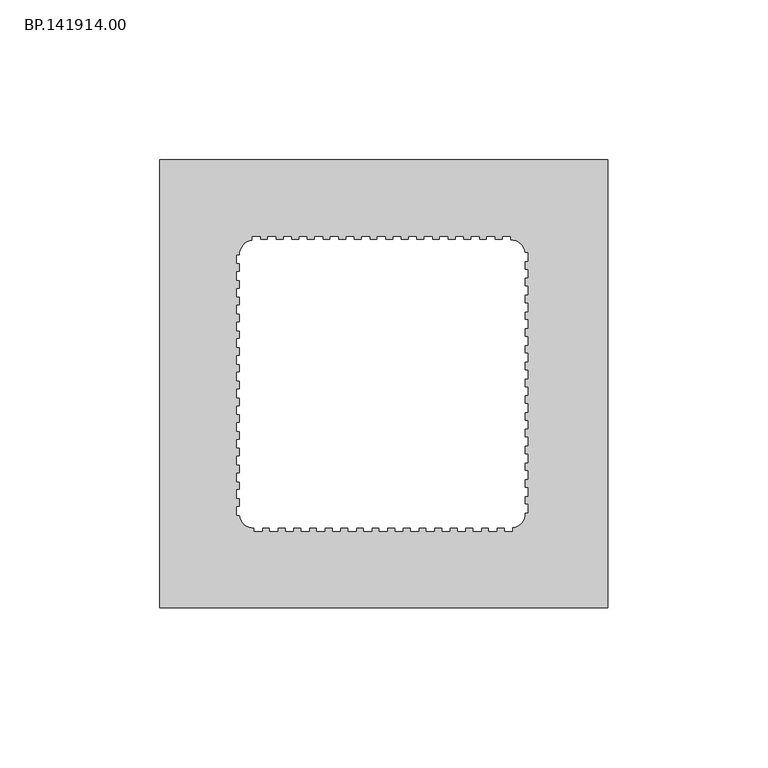
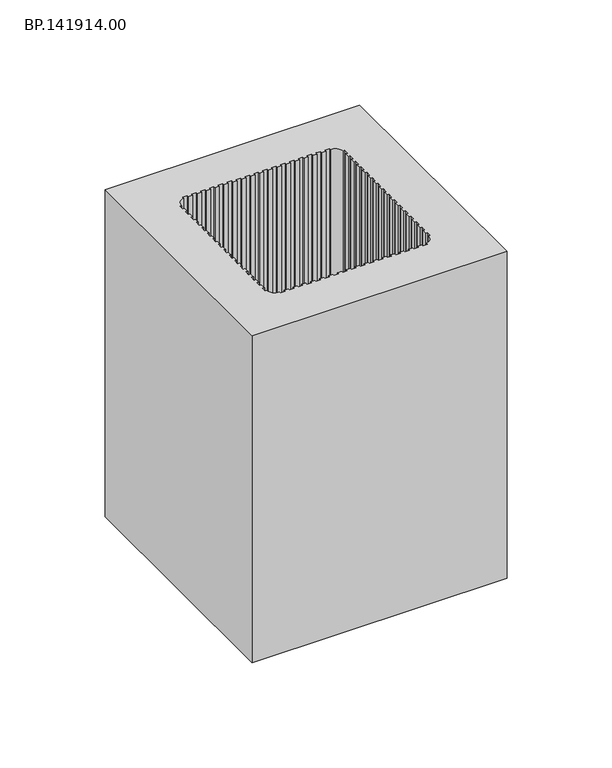
"""IFC4 building model written with IfcOpenShell, lengths in millimetres: proxy geometry, BP.141914.00."""

from ifc_helpers import new_model, si_unit, point, frame_2d, origin, origin_with_axes, place, context, project, spatial, polyline, circle_curve, trimmed, segment, composite_curve, outline, extrude, source, transform, mapped, element, save


def bp_141914_00_0298b1d2(model_context):
    return source(origin(), model_context, "Body", "SweptSolid", [
        extrude(outline(polyline([(145.0, 70.0050293), (145.0, -70.0050293), (5.0, -70.0050293), (5.0, 70.0050293), (145.0, 70.0050293)]), holes=[composite_curve([segment(polyline([(30.0, 41.0), (30.0, 40.1817359), (29.0, 40.1817359), (29.0, 37.6763775), (30.0, 37.6763775), (30.0, 35.0538315), (29.0, 35.0538315), (29.0, 32.4312856), (30.0, 32.4312856), (30.0, 29.8087397), (29.0, 29.8087397), (29.0, 27.1861938), (30.0, 27.1861938), (30.0, 24.5636479), (29.0, 24.5636479), (29.0, 21.941102), (30.0, 21.941102), (30.0, 19.318556), (29.0, 19.318556), (29.0, 16.6960101), (30.0, 16.6960101), (30.0, 14.0734642), (29.0, 14.0734642), (29.0, 11.4509183), (30.0, 11.4509183), (30.0, 8.8283724), (29.0, 8.8283724), (29.0, 6.2058265), (30.0, 6.2058265), (30.0, 3.5832806), (29.0, 3.5832806), (29.0, 0.9607346), (30.0, 0.9607346), (30.0, -1.6618113), (29.0, -1.6618113), (29.0, -4.2843572), (30.0, -4.2843572), (30.0, -6.9069031), (29.0, -6.9069031), (29.0, -9.529449), (30.0, -9.529449), (30.0, -12.1519949), (29.0, -12.1519949), (29.0, -14.7745408), (30.0, -14.7745408), (30.0, -17.3970868), (29.0, -17.3970868), (29.0, -20.0196327), (30.0, -20.0196327), (30.0, -22.6421786), (29.0, -22.6421786), (29.0, -25.2647245), (30.0, -25.2647245), (30.0, -27.8872704), (29.0, -27.8872704), (29.0, -30.5098163), (30.0, -30.5098163), (30.0, -33.1323623), (29.0, -33.1323623), (29.0, -35.7549082), (30.0, -35.7549082), (30.0, -38.3774541), (29.0, -38.3774541), (29.0, -41.0), (30.0, -41.0)]), True, "CONTINUOUS"), segment(trimmed(circle_curve(frame_2d((34.1452584, -40.8672965)), 4.147382), [point((30.0, -41.0))], [point((34.493883, -45.0))], True, "CARTESIAN"), True, "CONTINUOUS"), segment(polyline([(34.493883, -45.0), (34.493883, -46.0), (36.9382979, -46.0), (36.9382979, -45.0), (39.3827128, -45.0), (39.3827128, -46.0), (41.8271277, -46.0), (41.8271277, -45.0), (44.2715426, -45.0), (44.2715426, -46.0), (46.7159574, -46.0), (46.7159574, -45.0), (49.1603723, -45.0), (49.1603723, -46.0), (51.6047872, -46.0), (51.6047872, -45.0), (54.0492021, -45.0), (54.0492021, -46.0), (56.493617, -46.0), (56.493617, -45.0), (58.9380319, -45.0), (58.9380319, -46.0), (61.3824468, -46.0), (61.3824468, -45.0), (63.8268617, -45.0), (63.8268617, -46.0), (66.2712766, -46.0), (66.2712766, -45.0), (68.7156915, -45.0), (68.7156915, -46.0), (71.1601064, -46.0), (71.1601064, -45.0), (73.6045213, -45.0), (73.6045213, -46.0), (76.0489362, -46.0), (76.0489362, -45.0), (78.4933511, -45.0), (78.4933511, -46.0), (80.937766, -46.0), (80.937766, -45.0), (83.3821809, -45.0), (83.3821809, -46.0), (85.8265957, -46.0), (85.8265957, -45.0), (88.2710106, -45.0), (88.2710106, -46.0), (90.7154255, -46.0), (90.7154255, -45.0), (93.1598404, -45.0), (93.1598404, -46.0), (95.6042553, -46.0), (95.6042553, -45.0), (98.0486702, -45.0), (98.0486702, -46.0), (100.4930851, -46.0), (100.4930851, -45.0), (102.9375, -45.0), (102.9375, -46.0), (105.3819149, -46.0), (105.3819149, -45.0), (107.8263298, -45.0), (107.8263298, -46.0), (110.2707447, -46.0), (110.2707447, -45.0), (112.7151596, -45.0), (112.7151596, -46.0), (115.1595745, -46.0), (115.1595745, -45.0)]), True, "CONTINUOUS"), segment(trimmed(circle_curve(frame_2d((114.4985472, -40.510115)), 4.5382843), [point((115.1595745, -45.0))], [point((119.0319149, -40.2989234))], True, "CARTESIAN"), True, "CONTINUOUS"), segment(polyline([(119.0319149, -40.2989234), (120.0, -40.2989234), (120.0, -37.6763775), (119.0319149, -37.6763775), (119.0319149, -35.0538315), (120.0, -35.0538315), (120.0, -32.4312856), (119.0319149, -32.4312856), (119.0319149, -29.8087397), (120.0, -29.8087397), (120.0, -27.1861938), (119.0319149, -27.1861938), (119.0319149, -24.5636479), (120.0, -24.5636479), (120.0, -21.941102), (119.0319149, -21.941102), (119.0319149, -19.318556), (120.0, -19.318556), (120.0, -16.6960101), (119.0319149, -16.6960101), (119.0319149, -14.0734642), (120.0, -14.0734642), (120.0, -11.4509183), (119.0319149, -11.4509183), (119.0319149, -8.8283724), (120.0, -8.8283724), (120.0, -6.2058265), (119.0319149, -6.2058265), (119.0319149, -3.5832806), (120.0, -3.5832806), (120.0, -0.9607346), (119.0319149, -0.9607346), (119.0319149, 1.6618113), (120.0, 1.6618113), (120.0, 4.2843572), (119.0319149, 4.2843572), (119.0319149, 6.9069031), (120.0, 6.9069031), (120.0, 9.529449), (119.0319149, 9.529449), (119.0319149, 12.1519949), (120.0, 12.1519949), (120.0, 14.7745408), (119.0319149, 14.7745408), (119.0319149, 17.3970868), (120.0, 17.3970868), (120.0, 20.0196327), (119.0319149, 20.0196327), (119.0319149, 22.6421786), (120.0, 22.6421786), (120.0, 25.2647245), (119.0319149, 25.2647245), (119.0319149, 27.8872704), (120.0, 27.8872704), (120.0, 30.5098163), (119.0319149, 30.5098163), (119.0319149, 33.1323623), (120.0, 33.1323623), (120.0, 35.7549082), (119.0319149, 35.7549082), (119.0319149, 38.3774541), (120.0, 38.3774541), (120.0, 41.0), (119.0319149, 41.0)]), True, "CONTINUOUS"), segment(trimmed(circle_curve(frame_2d((114.603662, 40.5500114)), 4.4510576), [point((119.0319149, 41.0))], [point((114.506117, 45.0))], True, "CARTESIAN"), True, "CONTINUOUS"), segment(polyline([(114.506117, 45.0), (114.506117, 46.0), (112.0617021, 46.0), (112.0617021, 45.0), (109.6172872, 45.0), (109.6172872, 46.0), (107.1728723, 46.0), (107.1728723, 45.0), (104.7284574, 45.0), (104.7284574, 46.0), (102.2840426, 46.0), (102.2840426, 45.0), (99.8396277, 45.0), (99.8396277, 46.0), (97.3952128, 46.0), (97.3952128, 45.0), (94.9507979, 45.0), (94.9507979, 46.0), (92.506383, 46.0), (92.506383, 45.0), (90.0619681, 45.0), (90.0619681, 46.0), (87.6175532, 46.0), (87.6175532, 45.0), (85.1731383, 45.0), (85.1731383, 46.0), (82.7287234, 46.0), (82.7287234, 45.0), (80.2843085, 45.0), (80.2843085, 46.0), (77.8398936, 46.0), (77.8398936, 45.0), (75.3954787, 45.0), (75.3954787, 46.0), (72.9510638, 46.0), (72.9510638, 45.0), (70.5066489, 45.0), (70.5066489, 46.0), (68.062234, 46.0), (68.062234, 45.0), (65.6178191, 45.0), (65.6178191, 46.0), (63.1734043, 46.0), (63.1734043, 45.0), (60.7289894, 45.0), (60.7289894, 46.0), (58.2845745, 46.0), (58.2845745, 45.0), (55.8401596, 45.0), (55.8401596, 46.0), (53.3957447, 46.0), (53.3957447, 45.0), (50.9513298, 45.0), (50.9513298, 46.0), (48.5069149, 46.0), (48.5069149, 45.0), (46.0625, 45.0), (46.0625, 46.0), (43.6180851, 46.0), (43.6180851, 45.0), (41.1736702, 45.0), (41.1736702, 46.0), (38.7292553, 46.0), (38.7292553, 45.0), (36.2848404, 45.0), (36.2848404, 46.0), (33.8404255, 46.0), (33.8404255, 44.9801768)]), True, "CONTINUOUS"), segment(trimmed(circle_curve(frame_2d((34.4748737, 40.5251263)), 4.5), [point((33.8404255, 44.9801768))], [point((30.0, 41.0))], True, "CARTESIAN"), True, "CONTINUOUS")], self_intersect=False)]), origin_with_axes(), (0.0, 0.0, 1.0), 190.0),
    ])


if __name__ == "__main__":
    model = new_model("IFC4")
    model_context = context("Model", 3, world=origin())
    ifc_project = project(units=[si_unit("LENGTHUNIT", "METRE", prefix="MILLI")], contexts=[model_context])
    site = spatial("IfcSite", under=ifc_project)
    building = spatial("IfcBuilding", under=site)
    placement = place(None, origin())
    bp_141914_00_shape = bp_141914_00_0298b1d2(model_context)
    element("IfcBuildingElementProxy", 1, Name="BP.141914.00", ObjectType="BP.141914.00", at=placement, inside=building, context=model_context, shape_type="MappedRepresentation", body=[
        mapped(bp_141914_00_shape, transform((0.0, 0.0, 0.0), x_axis=(1.0, 0.0, 0.0), y_axis=(0.0, 1.0, 0.0), z_axis=(0.0, 0.0, 1.0))),
    ])
    save(model, "model.ifc")
